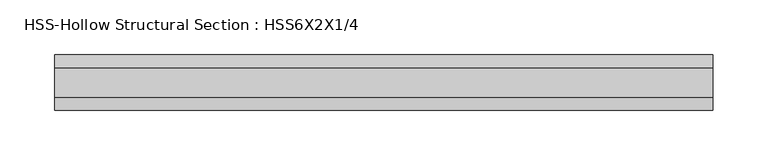
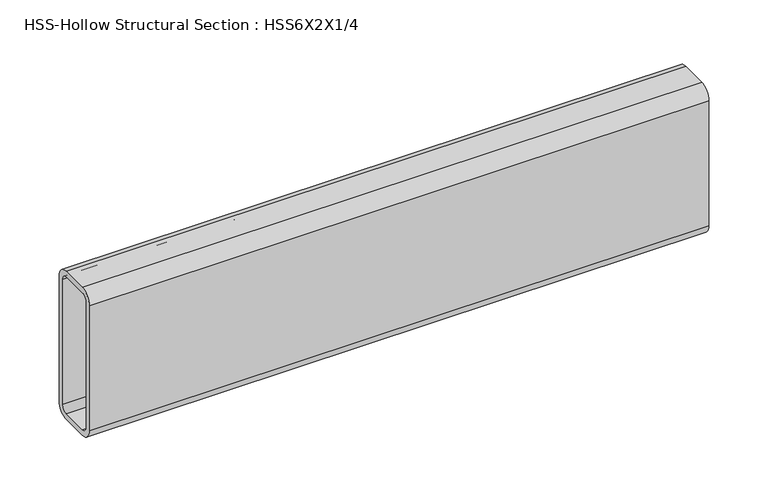
"""IFC4 building model written with IfcOpenShell, lengths in millimetres: beam geometry, HSS-Hollow Structural Section : HSS6X2X1/4."""

from ifc_helpers import new_model, si_unit, point, frame, frame_2d, origin, place, context, project, spatial, polyline, circle_curve, trimmed, segment, composite_curve, outline, extrude, source, transform, mapped, element, save


def hss_hollow_structural_section_hss6x2x1_4_f34df947(model_context):
    return source(origin(), model_context, "Body", "SweptSolid", [
        extrude(outline(composite_curve([segment(polyline([(25.4, 64.3636), (25.4, -64.3636)]), True, "CONTINUOUS"), segment(trimmed(circle_curve(frame_2d((13.5636, -64.3636)), 11.8364), [point((25.4, -64.3636))], [point((13.5636, -76.2))], False, "CARTESIAN"), True, "CONTINUOUS"), segment(polyline([(13.5636, -76.2), (-13.5636, -76.2)]), True, "CONTINUOUS"), segment(trimmed(circle_curve(frame_2d((-13.5636, -64.3636)), 11.8364), [point((-13.5636, -76.2))], [point((-25.4, -64.3636))], False, "CARTESIAN"), True, "CONTINUOUS"), segment(polyline([(-25.4, -64.3636), (-25.4, 64.3636)]), True, "CONTINUOUS"), segment(trimmed(circle_curve(frame_2d((-13.5636, 64.3636)), 11.8364), [point((-25.4, 64.3636))], [point((-13.5636, 76.2))], False, "CARTESIAN"), True, "CONTINUOUS"), segment(polyline([(-13.5636, 76.2), (13.5636, 76.2)]), True, "CONTINUOUS"), segment(trimmed(circle_curve(frame_2d((13.5636, 64.3636)), 11.8364), [point((13.5636, 76.2))], [point((25.4, 64.3636))], False, "CARTESIAN"), True, "CONTINUOUS")], self_intersect=False), holes=[composite_curve([segment(trimmed(circle_curve(frame_2d((-13.5636, 64.3636)), 5.9182), [point((-13.5636, 70.2818))], [point((-19.4818, 64.3636))], True, "CARTESIAN"), True, "CONTINUOUS"), segment(polyline([(-19.4818, 64.3636), (-19.4818, -64.3636)]), True, "CONTINUOUS"), segment(trimmed(circle_curve(frame_2d((-13.5636, -64.3636)), 5.9182), [point((-19.4818, -64.3636))], [point((-13.5636, -70.2818))], True, "CARTESIAN"), True, "CONTINUOUS"), segment(polyline([(-13.5636, -70.2818), (13.5636, -70.2818)]), True, "CONTINUOUS"), segment(trimmed(circle_curve(frame_2d((13.5636, -64.3636)), 5.9182), [point((13.5636, -70.2818))], [point((19.4818, -64.3636))], True, "CARTESIAN"), True, "CONTINUOUS"), segment(polyline([(19.4818, -64.3636), (19.4818, 64.3636)]), True, "CONTINUOUS"), segment(trimmed(circle_curve(frame_2d((13.5636, 64.3636)), 5.9182), [point((19.4818, 64.3636))], [point((13.5636, 70.2818))], True, "CARTESIAN"), True, "CONTINUOUS"), segment(polyline([(13.5636, 70.2818), (-13.5636, 70.2818)]), True, "CONTINUOUS")], self_intersect=False)]), frame((-301.6250006, 0.0, 0.0), z_axis=(1.0, 0.0, 0.0), x_axis=(0.0, 1.0, 0.0)), (0.0, 0.0, 1.0), 603.2500006),
    ])


if __name__ == "__main__":
    model = new_model("IFC4")
    model_context = context("Model", 3, world=origin())
    ifc_project = project(units=[si_unit("LENGTHUNIT", "METRE", prefix="MILLI")], contexts=[model_context])
    site = spatial("IfcSite", under=ifc_project)
    building = spatial("IfcBuilding", under=site)
    placement = place(None, origin())
    hss_hollow_structural_section_hss6x2x1_4_shape = hss_hollow_structural_section_hss6x2x1_4_f34df947(model_context)
    element("IfcBeam", 1, ObjectType="HSS-Hollow Structural Section : HSS6X2X1/4", at=placement, inside=building, context=model_context, shape_type="MappedRepresentation", body=[
        mapped(hss_hollow_structural_section_hss6x2x1_4_shape, transform((0.0, 0.0, 0.0), x_axis=(1.0, 0.0, 0.0), y_axis=(0.0, 1.0, 0.0), z_axis=(0.0, 0.0, 1.0))),
    ])
    save(model, "model.ifc")
